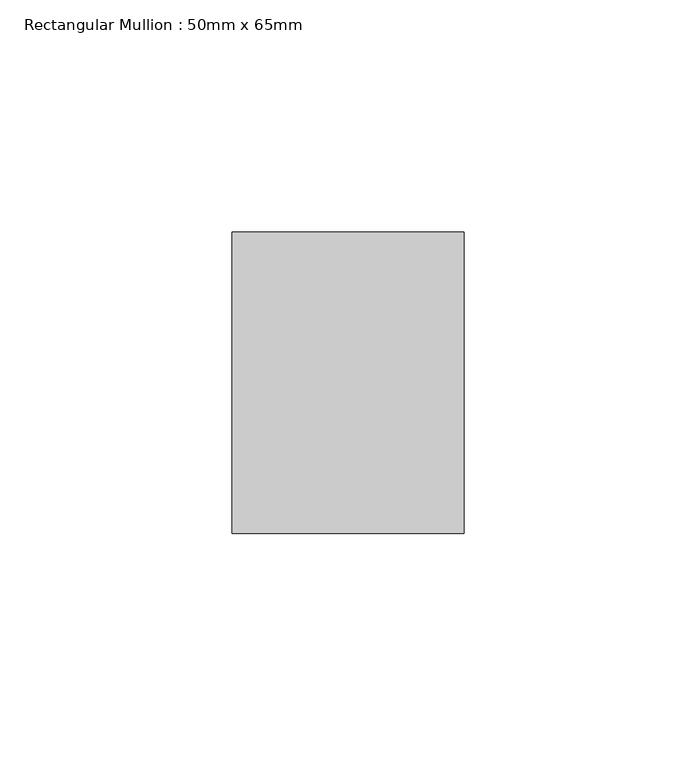
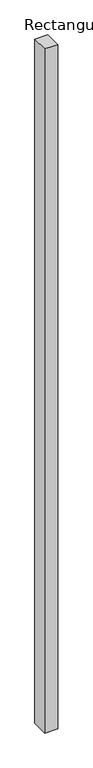
"""IFC4 building model written with IfcOpenShell, lengths in millimetres: member geometry, Rectangular Mullion : 50mm x 65mm."""

import ifcopenshell
import ifcopenshell.guid

model = None  # the IFC model being written
_history = None  # IfcOwnerHistory: only IFC2X3 demands one
_inside = {}  # id of a spatial element -> (the spatial element, [elements in it])
_under = {}  # id of a project, library or spatial element -> (it, [spatial elements below it])
_declared = {}  # id of a project -> (the project, [libraries it declares])
_typed = {}  # id of a type object -> (the type object, [elements of that type])
_made_of = {}  # id of a material, layer set ... -> (it, [elements and type objects made of it])


def new_model(schema):
    """Start an empty IFC model of exactly this schema.

    Asked for "IFC4X3", IfcOpenShell would pick the latest addendum, in which some entities
    have other attributes; the version numbers below select the first issue.
    IFC2X3 requires an IfcOwnerHistory on every rooted entity: one is made here for all.
    """
    global model, _history
    if schema == "IFC4X3":
        model = ifcopenshell.file(schema_version=(4, 3, 0, 0))
    else:
        model = ifcopenshell.file(schema=schema)
    _inside.clear()
    _under.clear()
    _declared.clear()
    _typed.clear()
    _made_of.clear()
    _history = None
    if model.schema == "IFC2X3":
        org = make("IfcOrganization", Name="unknown")
        user = make(
            "IfcPersonAndOrganization",
            ThePerson=make("IfcPerson", FamilyName="unknown"),
            TheOrganization=org,
        )
        app = make(
            "IfcApplication",
            ApplicationDeveloper=org,
            Version="unknown",
            ApplicationFullName="unknown",
            ApplicationIdentifier="unknown",
        )
        _history = make(
            "IfcOwnerHistory",
            OwningUser=user,
            OwningApplication=app,
            ChangeAction="ADDED",
            CreationDate=0,
        )
    return model


def make(cls, **values):
    """One entity of the class cls with the attributes given. An attribute that is None is left unset."""
    return model.create_entity(
        cls, **{name: value for name, value in values.items() if value is not None}
    )


def rooted(cls, **values):
    """An entity with a GlobalId (a new one), such as an element, a storey or a relation."""
    return make(cls, GlobalId=ifcopenshell.guid.new(), OwnerHistory=_history, **values)


def si_unit(unit_type, name, prefix=None):
    """IfcSIUnit, for example si_unit("LENGTHUNIT", "METRE", prefix="MILLI")."""
    return make("IfcSIUnit", UnitType=unit_type, Prefix=prefix, Name=name)


def assignment(units):
    """IfcUnitAssignment: the units of a project."""
    return None if units is None else make("IfcUnitAssignment", Units=units)


def point(xyz):
    """IfcCartesianPoint."""
    return None if xyz is None else make("IfcCartesianPoint", Coordinates=xyz)


def direction(xyz):
    """IfcDirection."""
    return None if xyz is None else make("IfcDirection", DirectionRatios=xyz)


def frame(location, z_axis=None, x_axis=None):
    """IfcAxis2Placement3D, a coordinate frame: its origin and axes. An axis left out is left unset."""
    return make(
        "IfcAxis2Placement3D",
        Location=point(location),
        Axis=direction(z_axis),
        RefDirection=direction(x_axis),
    )


def origin():
    """The frame at (0, 0, 0) with its axes left unset."""
    return frame((0.0, 0.0, 0.0))


def place(relative_to, where):
    """IfcLocalPlacement: puts the frame where relative to a parent placement (None: the world)."""
    return make(
        "IfcLocalPlacement", PlacementRelTo=relative_to, RelativePlacement=where
    )


def context(
    kind, dimensions, precision=None, world=None, true_north=None, identifier=None
):
    """IfcGeometricRepresentationContext, for example the 3D "Model" context."""
    return make(
        "IfcGeometricRepresentationContext",
        ContextIdentifier=identifier,
        ContextType=kind,
        CoordinateSpaceDimension=dimensions,
        Precision=precision,
        WorldCoordinateSystem=world,
        TrueNorth=true_north,
    )


def project(units=None, contexts=None):
    """IfcProject with its units and contexts."""
    return rooted(
        "IfcProject",
        Name="project",
        RepresentationContexts=contexts,
        UnitsInContext=assignment(units),
    )


def spatial(cls, under=None, at=None, **own):
    """A site, building, storey or space (cls), placed at a placement, below another one or the project."""
    s = rooted(cls, ObjectPlacement=at, **own)
    if under is not None:
        _under.setdefault(under.id(), (under, []))[1].append(s)
    return s


def polyline(points):
    """IfcPolyline through the points."""
    return make("IfcPolyline", Points=[point(p) for p in points])


def outline(outer, holes=None, kind="AREA"):
    """IfcArbitraryClosedProfileDef: a profile drawn as a closed curve; with holes, ...WithVoids."""
    if holes is None:
        return make("IfcArbitraryClosedProfileDef", ProfileType=kind, OuterCurve=outer)
    return make(
        "IfcArbitraryProfileDefWithVoids",
        ProfileType=kind,
        OuterCurve=outer,
        InnerCurves=holes,
    )


def extrude(swept, where, along, depth):
    """IfcExtrudedAreaSolid: the profile swept, set in the frame where, extruded along a direction by depth."""
    return make(
        "IfcExtrudedAreaSolid",
        SweptArea=swept,
        Position=where,
        ExtrudedDirection=direction(along),
        Depth=depth,
    )


def shape(context_of_items, identifier, shape_type, items):
    """IfcShapeRepresentation: the items that make up one representation, for example the "Body"."""
    return make(
        "IfcShapeRepresentation",
        ContextOfItems=context_of_items,
        RepresentationIdentifier=identifier,
        RepresentationType=shape_type,
        Items=items,
    )


def source(mapping_origin, context_of_items, identifier, shape_type, items):
    """IfcRepresentationMap: a shape defined once, which mapped items show again and again."""
    return make(
        "IfcRepresentationMap",
        MappingOrigin=mapping_origin,
        MappedRepresentation=shape(context_of_items, identifier, shape_type, items),
    )


def transform(
    local_origin,
    x_axis=None,
    y_axis=None,
    z_axis=None,
    scale=None,
    scale2=None,
    scale3=None,
    uniform=True,
):
    """IfcCartesianTransformationOperator3D, or its non-uniform kind. x_axis, y_axis, z_axis: its Axis1, 2, 3."""
    if uniform:
        return make(
            "IfcCartesianTransformationOperator3D",
            Axis1=direction(x_axis),
            Axis2=direction(y_axis),
            LocalOrigin=point(local_origin),
            Scale=scale,
            Axis3=direction(z_axis),
        )
    return make(
        "IfcCartesianTransformationOperator3DnonUniform",
        Axis1=direction(x_axis),
        Axis2=direction(y_axis),
        LocalOrigin=point(local_origin),
        Scale=scale,
        Axis3=direction(z_axis),
        Scale2=scale2,
        Scale3=scale3,
    )


def mapped(mapping_source, mapping_target):
    """IfcMappedItem: shows the shape of a source again, moved by a transform."""
    return make(
        "IfcMappedItem", MappingSource=mapping_source, MappingTarget=mapping_target
    )


def made_of(thing, what):
    """Note that an element or type object is made of a material, layer set ...; save() writes the relation."""
    if what is not None:
        _made_of.setdefault(what.id(), (what, []))[1].append(thing)
    return thing


def element(
    cls,
    number,
    at=None,
    inside=None,
    cuts=None,
    type_object=None,
    material=None,
    context=None,
    identifier="Body",
    shape_type=None,
    held_by="IfcProductDefinitionShape",
    body=None,
    shapes=None,
    **own,
):
    """One element of the class cls, such as IfcWall. Its Tag is "e" and its number.

    at: its placement. inside: the storey or other place that contains it. cuts: it is an
    opening in that element (IfcRelVoidsElement). A single representation is given by context,
    identifier, shape_type and body (its items); several are given by shapes. held_by: the class
    of the entity that holds the representations. save() writes the other relations.
    """
    e = rooted(cls, Tag="e%d" % number, ObjectPlacement=at, **own)
    if body is not None:
        shapes = [shape(context, identifier, shape_type, body)]
    if shapes is not None:
        e.Representation = make(held_by, Representations=shapes)
    if inside is not None:
        _inside.setdefault(inside.id(), (inside, []))[1].append(e)
    if cuts is not None:
        rooted(
            "IfcRelVoidsElement", RelatingBuildingElement=cuts, RelatedOpeningElement=e
        )
    if type_object is not None:
        _typed.setdefault(type_object.id(), (type_object, []))[1].append(e)
    return made_of(e, material)


def aggregate(whole, parts):
    """IfcRelAggregates: a whole, such as a stair, and the parts it consists of."""
    return rooted("IfcRelAggregates", RelatingObject=whole, RelatedObjects=parts)


def save(model, path):
    """Write the relations noted so far, then the file.

    IfcRelAggregates (storeys below a building ...), IfcRelContainedInSpatialStructure (elements
    in a storey), IfcRelDefinesByType, IfcRelAssociatesMaterial and IfcRelDeclares: one each for
    every whole, place, type object, material and project.
    """
    for whole, parts in _under.values():
        aggregate(whole, parts)
    for where, things in _inside.values():
        rooted(
            "IfcRelContainedInSpatialStructure",
            RelatedElements=things,
            RelatingStructure=where,
        )
    for kind, things in _typed.values():
        rooted("IfcRelDefinesByType", RelatedObjects=things, RelatingType=kind)
    for what, things in _made_of.values():
        rooted("IfcRelAssociatesMaterial", RelatedObjects=things, RelatingMaterial=what)
    for by, libraries in _declared.values():
        rooted("IfcRelDeclares", RelatingContext=by, RelatedDefinitions=libraries)
    model.write(path)


def rectangular_mullion_50mm_x_65mm_225f478f(model_context):
    return source(origin(), model_context, "Body", "SweptSolid", [
        extrude(outline(polyline([(25.0, 32.5), (25.0, -32.5), (-25.0, -32.5), (-25.0, 32.5), (25.0, 32.5)])), frame((0.0, 0.0, -2773.8906867), z_axis=(0.0, 0.0, 1.0), x_axis=(1.0, 0.0, 0.0)), (0.0, 0.0, 1.0), 2773.8906867),
    ])


if __name__ == "__main__":
    model = new_model("IFC4")
    model_context = context("Model", 3, world=origin())
    ifc_project = project(units=[si_unit("LENGTHUNIT", "METRE", prefix="MILLI")], contexts=[model_context])
    site = spatial("IfcSite", under=ifc_project)
    building = spatial("IfcBuilding", under=site)
    placement = place(None, origin())
    rectangular_mullion_50mm_x_65mm_shape = rectangular_mullion_50mm_x_65mm_225f478f(model_context)
    element("IfcMember", 1, ObjectType="Rectangular Mullion : 50mm x 65mm", at=placement, inside=building, context=model_context, shape_type="MappedRepresentation", body=[
        mapped(rectangular_mullion_50mm_x_65mm_shape, transform((0.0, 0.0, 0.0), x_axis=(1.0, 0.0, 0.0), y_axis=(0.0, 1.0, 0.0), z_axis=(0.0, 0.0, 1.0))),
    ])
    save(model, "model.ifc")
